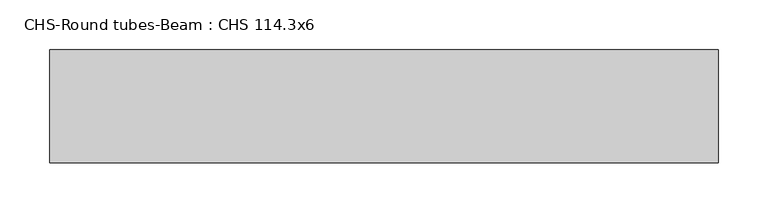
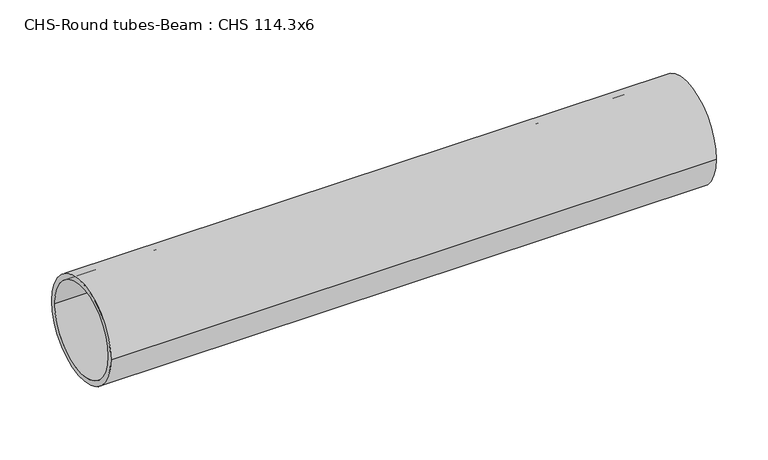
"""IFC4 building model written with IfcOpenShell, lengths in millimetres: beam geometry, CHS-Round tubes-Beam : CHS 114.3x6."""

from ifc_helpers import new_model, si_unit, point, frame, origin, origin_2d, place, context, project, spatial, circle_curve, trimmed, segment, composite_curve, outline, extrude, source, transform, mapped, element, save


def chs_round_tubes_beam_chs_114_3x6_079031b0(model_context):
    return source(origin(), model_context, "Body", "SweptSolid", [
        extrude(outline(composite_curve([segment(trimmed(circle_curve(origin_2d(), 57.15), [point((57.15, 0.0))], [point((-57.15, 0.0))], False, "CARTESIAN"), True, "CONTINUOUS"), segment(trimmed(circle_curve(origin_2d(), 57.15), [point((-57.15, 0.0))], [point((57.15, 0.0))], False, "CARTESIAN"), True, "CONTINUOUS")], self_intersect=False), holes=[composite_curve([segment(trimmed(circle_curve(origin_2d(), 51.15), [point((51.15, 0.0))], [point((-51.15, 0.0))], True, "CARTESIAN"), True, "CONTINUOUS"), segment(trimmed(circle_curve(origin_2d(), 51.15), [point((-51.15, 0.0))], [point((51.15, 0.0))], True, "CARTESIAN"), True, "CONTINUOUS")], self_intersect=False)]), frame((-296.8640539, 0.0, 0.0), z_axis=(1.0, 0.0, 0.0), x_axis=(0.0, 1.0, 0.0)), (0.0, 0.0, 1.0), 674.2899052),
    ])


if __name__ == "__main__":
    model = new_model("IFC4")
    model_context = context("Model", 3, world=origin())
    ifc_project = project(units=[si_unit("LENGTHUNIT", "METRE", prefix="MILLI")], contexts=[model_context])
    site = spatial("IfcSite", under=ifc_project)
    building = spatial("IfcBuilding", under=site)
    placement = place(None, origin())
    chs_round_tubes_beam_chs_114_3x6_shape = chs_round_tubes_beam_chs_114_3x6_079031b0(model_context)
    element("IfcBeam", 1, ObjectType="CHS-Round tubes-Beam : CHS 114.3x6", at=placement, inside=building, context=model_context, shape_type="MappedRepresentation", body=[
        mapped(chs_round_tubes_beam_chs_114_3x6_shape, transform((0.0, 0.0, 0.0), x_axis=(1.0, 0.0, 0.0), y_axis=(0.0, 1.0, 0.0), z_axis=(0.0, 0.0, 1.0))),
    ])
    save(model, "model.ifc")
